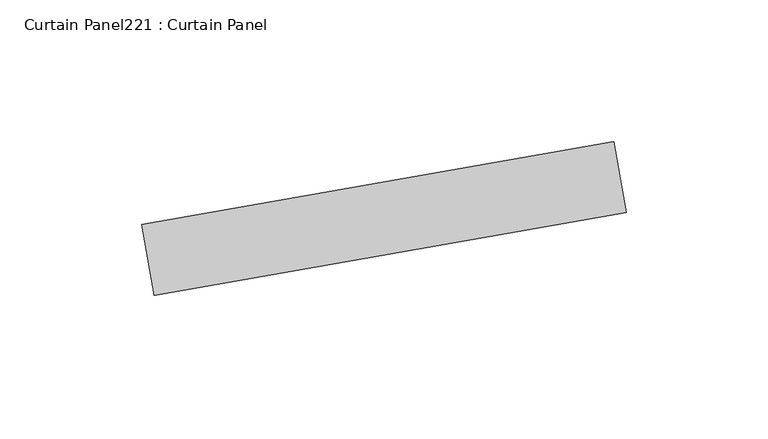
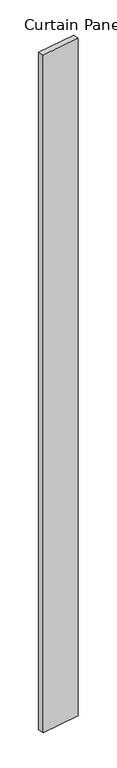
"""IFC4 building model written with IfcOpenShell, lengths in millimetres: plate geometry, Curtain Panel221 : Curtain Panel."""

from ifc_helpers import new_model, si_unit, frame, origin, place, context, project, spatial, polyline, outline, extrude, source, transform, mapped, element, save


def curtain_panel221_curtain_panel_141be72a(model_context):
    return source(origin(), model_context, "Body", "SweptSolid", [
        extrude(outline(polyline([(629957.0362121, 2329.8003721), (629790.5396737, 2300.4425402), (629786.12901, 2325.4566571), (629952.6255484, 2354.814489), (629957.0362121, 2329.8003721)])), frame((0.0, 0.0, 4959.7989371), z_axis=(0.0, 0.0, 1.0), x_axis=(1.0, 0.0, 0.0)), (0.0, 0.0, 1.0), 3048.0),
    ])


if __name__ == "__main__":
    model = new_model("IFC4")
    model_context = context("Model", 3, world=origin())
    ifc_project = project(units=[si_unit("LENGTHUNIT", "METRE", prefix="MILLI")], contexts=[model_context])
    site = spatial("IfcSite", under=ifc_project)
    building = spatial("IfcBuilding", under=site)
    placement = place(None, origin())
    curtain_panel221_curtain_panel_shape = curtain_panel221_curtain_panel_141be72a(model_context)
    element("IfcPlate", 1, ObjectType="Curtain Panel221 : Curtain Panel", at=placement, inside=building, context=model_context, shape_type="MappedRepresentation", body=[
        mapped(curtain_panel221_curtain_panel_shape, transform((0.0, 0.0, 0.0), x_axis=(1.0, 0.0, 0.0), y_axis=(0.0, 1.0, 0.0), z_axis=(0.0, 0.0, 1.0))),
    ])
    save(model, "model.ifc")
